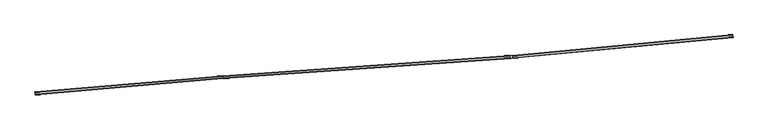
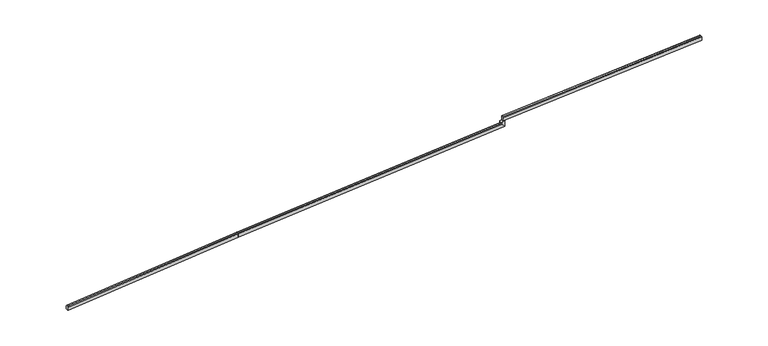
"""IFC4 building model written with IfcOpenShell, lengths in millimetres: railing geometry."""

from ifc_helpers import new_model, si_unit, frame, origin, place, context, project, spatial, circle_curve, ellipse_curve, source, transform, mapped, element, save
from ifc_brep_helpers import plane_surface, cylinder_surface, advanced_brep


def railing_6800b34c(model_context):
    return source(origin(), model_context, "Body", "AdvancedBrep", [
        advanced_brep(
        [(1628.9393359, -4237.4017013, 12399.9999999), (1603.1368031, -3938.5133789, 12399.9999999), (1596.6861699, -3863.7912983, 12324.9667086), (1596.6861699, -3863.7912983, 11749.7114752), (1612.1676895, -4043.1242917, 11649.6670868), (1619.9084494, -4132.7907885, 11649.6670868), (1635.3899691, -4312.1237819, 11749.7114752), (1635.3899691, -4312.1237819, 12324.9667086), (31569.0500647, -1652.7216357, 13295.49617), (31574.3206371, -1727.545589, 13220.4275836), (31574.3206371, -1727.545589, 12645.1723502), (31561.6712632, -1547.9681011, 12545.2126701), (31555.3465763, -1458.1793571, 12545.2550242), (31542.6972024, -1278.6018692, 12645.3841209), (31542.6972024, -1278.6018692, 13220.6393543), (31547.9677748, -1353.4258225, 13295.6373505)],
        [
            (0, 1),
            (1, 2, ellipse_curve(frame((1603.1368031, -3938.5133789, 12324.9667086), z_axis=(-0.9962944081917979, -0.08600844264230818, 0.0), x_axis=(0.0, 0.0, -1.0)), 75.0332913, 75.0)),
            (2, 3),
            (3, 4),
            (4, 5),
            (5, 6),
            (6, 7),
            (7, 0, ellipse_curve(frame((1628.9393359, -4237.4017013, 12324.9667086), z_axis=(-0.9962944081917979, -0.08600844264230818, 0.0), x_axis=(0.0, 0.0, -1.0)), 75.0332913, 75.0)),
            (8, 9, ellipse_curve(frame((31569.0500647, -1652.7216357, 13220.4628787), z_axis=(0.9975283225218303, 0.07026553754710305, 0.0), x_axis=(0.032900607666241345, -0.46707517114275593, -0.8836053047131152)), 75.0426477, 75.0)),
            (9, 10),
            (10, 11),
            (11, 12),
            (12, 13),
            (13, 14),
            (14, 15, ellipse_curve(frame((31547.9677748, -1353.4258225, 13220.6040592), z_axis=(0.9975283225218303, 0.07026553754710305, 0.0), x_axis=(0.032900607666241345, -0.46707517114275593, -0.8836053047131152)), 75.0426477, 75.0)),
            (15, 8),
            (0, 8),
            (15, 1),
            (14, 2),
            (13, 3),
            (12, 4),
            (11, 5),
            (10, 6),
            (9, 7),
        ],
        [
            plane_surface(frame((1616.7044, -4095.6761013, 12399.9999999), z_axis=(-0.9962944081917979, -0.08600844264230818, 0.0), x_axis=(0.08600844264230818, -0.9962944081917979, 0.0))),
            plane_surface(frame((31559.0533537, -1510.8028135, 13295.5631144), z_axis=(0.9975283225218303, 0.07026553754710305, 0.0), x_axis=(0.07026553754710305, -0.9975283225218303, 0.0))),
            plane_surface(frame((1628.9393359, -4237.4017013, 12399.9999999), z_axis=(-0.029675154075010965, -0.0025618067974450473, 0.9995563127590947), x_axis=(0.9958523650746979, 0.08597028179369764, 0.029785527080162195))),
            cylinder_surface(frame((1605.3624396, -3938.3212434, 12325.0332765), z_axis=(-0.995852365074698, -0.08597028179369767, -0.029785527080162195), x_axis=(0.0860084426423082, -0.9962944081917979, 0.0)), 75.0),
            plane_surface(frame((1596.6861699, -3863.7912983, 12324.9667086), z_axis=(-0.08600844264230821, 0.9962944081917982, 0.0), x_axis=(0.9958523650746979, 0.08597028179369766, 0.029785527080162168))),
            plane_surface(frame((1596.6861699, -3863.7912983, 11749.7114752), z_axis=(-0.01582864033621899, 0.4860827587631271, -0.8737694236915906), x_axis=(0.9958523650746979, 0.08597028179369767, 0.029785527080162168))),
            plane_surface(frame((1612.1676895, -4043.1242917, 11649.6670868), z_axis=(0.029675154075010993, 0.00256180679744505, -0.9995563127590947), x_axis=(0.9958523650746979, 0.08597028179369769, 0.029785527080162223))),
            plane_surface(frame((1619.9084494, -4132.7907885, 11649.6670868), z_axis=(0.06771014404561651, -0.4816039146591145, -0.873769423691593), x_axis=(0.9958523650746979, 0.08597028179369767, 0.029785527080162213))),
            plane_surface(frame((1635.3899691, -4312.1237819, 11749.7114752), z_axis=(0.08600844264230818, -0.996294408191798, 0.0), x_axis=(0.9958523650746979, 0.08597028179369764, 0.029785527080162195))),
            cylinder_surface(frame((1631.1649724, -4237.2095658, 12325.0332765), z_axis=(-0.995852365074698, -0.08597028179369767, -0.029785527080162195), x_axis=(0.0860084426423082, -0.9962944081917979, 0.0)), 75.0),
        ],
        [
            (0, [[1, 2, 3, 4, 5, 6, 7, 8]]),
            (1, [[9, 10, 11, 12, 13, 14, 15, 16]]),
            (2, [[-1, 17, -16, 18]]),
            (3, [[-2, -18, -15, 19]]),
            (4, [[-3, -19, -14, 20]]),
            (5, [[-4, -20, -13, 21]]),
            (6, [[-5, -21, -12, 22]]),
            (7, [[-6, -22, -11, 23]]),
            (8, [[-7, -23, -10, 24]]),
            (9, [[-8, -24, -9, -17]]),
        ],
    ),
        advanced_brep(
        [(31569.0488183, -1652.7039412, 13295.5631144), (31547.969157, -1353.4454444, 13295.5631144), (31542.6992417, -1278.6308202, 13220.5301358), (31542.6992417, -1278.6308202, 12645.2772999), (31555.3470384, -1458.1859183, 12545.2333285), (31561.6709368, -1547.9634673, 12545.2333285), (31574.3187336, -1727.5185654, 12645.2772999), (31574.3187336, -1727.5185654, 13220.5301358), (77443.0729026, 1578.6458751, 14659.4858433), (77421.9932414, 1877.9043719, 14659.4858433), (77491.5379502, 1957.9889114, 14586.677247), (78065.1167357, 1998.3915955, 14028.4780086), (78177.5173647, 1825.8630512, 13931.3998802), (78183.8412631, 1736.0855022, 13931.3998802), (78096.7362276, 1549.5038503, 14028.4780086), (77523.1574421, 1509.1011663, 14586.677247), (77443.0729026, 1578.6458751, 14949.9999999), (77523.1574421, 1509.1011663, 14949.9999999), (78096.7362276, 1549.5038503, 14949.9999999), (78183.8412631, 1736.0855022, 14949.9999999), (78177.5173647, 1825.8630512, 14949.9999999), (78065.1167357, 1998.3915955, 14949.9999999), (77491.5379502, 1957.9889114, 14949.9999999), (77421.9932414, 1877.9043719, 14949.9999999)],
        [
            (0, 1),
            (1, 2, ellipse_curve(frame((31547.969157, -1353.4454444, 13220.5301358), z_axis=(-0.9975283225218303, -0.07026553754710305, 0.0), x_axis=(0.0, 0.0, -1.0)), 75.0329786, 75.0)),
            (2, 3),
            (3, 4),
            (4, 5),
            (5, 6),
            (6, 7),
            (7, 0, ellipse_curve(frame((31569.0488183, -1652.7039412, 13220.5301358), z_axis=(-0.9975283225218303, -0.07026553754710305, 0.0), x_axis=(0.0, 0.0, -1.0)), 75.0329786, 75.0)),
            (0, 8),
            (8, 9),
            (9, 1),
            (9, 10, ellipse_curve(frame((77496.8078655, 1883.1742872, 14586.677247), z_axis=(-0.694825059246129, -0.04894322816391641, -0.7175114615534083), x_axis=(-0.7157380046335601, -0.05041632854222927, 0.6965466980321506)), 104.527947, 75.0)),
            (10, 2),
            (10, 11),
            (11, 3),
            (11, 12),
            (12, 4),
            (12, 13),
            (13, 5),
            (13, 14),
            (14, 6),
            (14, 15),
            (15, 7),
            (15, 8, ellipse_curve(frame((77517.8875268, 1583.9157904, 14586.677247), z_axis=(-0.694825059246129, -0.04894322816391641, -0.7175114615534083), x_axis=(-0.7157380046335601, -0.05041632854222927, 0.6965466980321506)), 104.527947, 75.0)),
            (16, 17, circle_curve(frame((77517.8875268, 1583.9157904, 14949.9999999), z_axis=(-4.6956089975818666e-12, 0.0, 1.0), x_axis=(0.0702655375471416, -0.9975283225218275, 0.0)), 75.0)),
            (17, 18),
            (18, 19),
            (19, 20),
            (20, 21),
            (21, 22),
            (22, 23, circle_curve(frame((77496.8078655, 1883.1742872, 14949.9999999), z_axis=(-4.6956089975818666e-12, 0.0, 1.0), x_axis=(0.0702655375471416, -0.9975283225218275, 0.0)), 75.0)),
            (23, 16),
            (8, 16),
            (23, 9),
            (22, 10),
            (21, 11),
            (20, 12),
            (19, 13),
            (18, 14),
            (17, 15),
        ],
        [
            plane_surface(frame((31559.0533537, -1510.8028135, 13295.5631144), z_axis=(-0.9975283225218303, -0.07026553754710305, 0.0), x_axis=(0.07026553754710305, -0.9975283225218303, 0.0))),
            plane_surface(frame((31569.0488183, -1652.7039412, 13295.5631144), z_axis=(-0.029572121061367956, -0.002083049609590963, 0.9995604786906372), x_axis=(0.997089887567389, 0.07023465434603726, 0.029645394916314054))),
            cylinder_surface(frame((31550.1870661, -1353.2892157, 13220.5960785), z_axis=(-0.9970898875673893, -0.07023465434603728, -0.029645394916314113), x_axis=(0.07026553754710305, -0.9975283225218303, 0.0)), 75.0),
            plane_surface(frame((31542.6992417, -1278.6308202, 13220.5301358), z_axis=(-0.07026553754710306, 0.9975283225218303, 0.0), x_axis=(0.997089887567389, 0.07023465434603728, 0.029645394916314165))),
            plane_surface(frame((31542.6992417, -1278.6308202, 12645.2772999), z_axis=(-0.008273276819073475, 0.4862634914559292, -0.8737730653709604), x_axis=(0.997089887567389, 0.07023465434603726, 0.02964539491631423))),
            plane_surface(frame((31555.3470384, -1458.1859183, 12545.2333285), z_axis=(0.0295721210613681, 0.002083049609590973, -0.9995604786906372), x_axis=(0.997089887567389, 0.07023465434603728, 0.0296453949163142))),
            plane_surface(frame((31561.6709368, -1547.9634673, 12545.2333285), z_axis=(0.05997464641135782, -0.4826216655104328, -0.8737730653709627), x_axis=(0.997089887567389, 0.07023465434603728, 0.0296453949163142))),
            plane_surface(frame((31574.3187336, -1727.5185654, 12645.2772999), z_axis=(0.07026553754710305, -0.9975283225218304, 0.0), x_axis=(0.997089887567389, 0.07023465434603725, 0.02964539491631408))),
            cylinder_surface(frame((31571.2667273, -1652.5477125, 13220.5960785), z_axis=(-0.9970898875673893, -0.07023465434603728, -0.029645394916314113), x_axis=(0.07026553754710305, -0.9975283225218303, 0.0)), 75.0),
            plane_surface(frame((77433.077438, 1720.5470028, 14949.9999999), z_axis=(0.0, 0.0, 1.0), x_axis=(1.0, 0.0, 0.0))),
            plane_surface(frame((77443.0729026, 1578.6458751, 14659.4858433), z_axis=(-0.9975283225218275, -0.0702655375471416, -4.6904264799692805e-12), x_axis=(-4.681634554292492e-12, 0.0, 1.0))),
            cylinder_surface(frame((77496.8078655, 1883.1742872, 14659.4858433), z_axis=(4.6956089975818666e-12, 0.0, -1.0), x_axis=(0.0702655375471416, -0.9975283225218275, 0.0)), 75.0),
            plane_surface(frame((77491.5379502, 1957.9889114, 14586.677247), z_axis=(-0.07026553754714161, 0.9975283225218277, 0.0), x_axis=(-4.673353498474857e-12, 0.0, 1.0))),
            plane_surface(frame((78065.1167357, 1998.3915955, 14028.4780086), z_axis=(0.8378726796545456, 0.5458657093906075, 4.0970442670351576e-12), x_axis=(-4.700341997005044e-12, 0.0, 1.0))),
            plane_surface(frame((78177.5173647, 1825.8630512, 13931.3998802), z_axis=(0.9975283225218275, 0.0702655375471416, 4.703447277646865e-12), x_axis=(-4.694620734975074e-12, 0.0, 1.0))),
            plane_surface(frame((78183.8412631, 1736.0855022, 13931.3998802), z_axis=(0.9061206028850167, -0.4230194475757516, 4.130897101848363e-12), x_axis=(-4.6946207349750846e-12, 0.0, 1.0))),
            plane_surface(frame((78096.7362276, 1549.5038503, 14028.4780086), z_axis=(0.07026553754714161, -0.9975283225218277, 0.0), x_axis=(-4.700341997005166e-12, 0.0, 1.0))),
            cylinder_surface(frame((77517.8875268, 1583.9157904, 14659.4858433), z_axis=(4.6956089975818666e-12, 0.0, -1.0), x_axis=(0.0702655375471416, -0.9975283225218275, 0.0)), 75.0),
        ],
        [
            (0, [[1, 2, 3, 4, 5, 6, 7, 8]]),
            (1, [[-1, 9, 10, 11]]),
            (2, [[-2, -11, 12, 13]]),
            (3, [[-3, -13, 14, 15]]),
            (4, [[-4, -15, 16, 17]]),
            (5, [[-5, -17, 18, 19]]),
            (6, [[-6, -19, 20, 21]]),
            (7, [[-7, -21, 22, 23]]),
            (8, [[-8, -23, 24, -9]]),
            (9, [[25, 26, 27, 28, 29, 30, 31, 32]]),
            (10, [[-10, 33, -32, 34]]),
            (11, [[-12, -34, -31, 35]]),
            (12, [[-14, -35, -30, 36]]),
            (13, [[-16, -36, -29, 37]]),
            (14, [[-18, -37, -28, 38]]),
            (15, [[-20, -38, -27, 39]]),
            (16, [[-22, -39, -26, 40]]),
            (17, [[-24, -40, -25, -33]]),
        ],
    ),
        advanced_brep(
        [(77820.5197221, 1605.273471, 15699.9999999), (77792.3251917, 1903.9456466, 15699.9999999), (77785.2765591, 1978.6136905, 15624.9999999), (77785.2765591, 1978.6136905, 15049.9999999), (77802.1932773, 1799.4103851, 14949.9999999), (77810.6516365, 1709.8087325, 14949.9999999), (77827.5683547, 1530.6054271, 15049.9999999), (77827.5683547, 1530.6054271, 15624.9999999), (112903.7527124, 4917.1162218, 15699.9999999), (112910.801345, 4842.4481779, 15624.9999999), (112910.801345, 4842.4481779, 15049.9999999), (112893.8846268, 5021.6514832, 14949.9999999), (112885.4262677, 5111.2531359, 14949.9999999), (112868.5095494, 5290.4564412, 15049.9999999), (112868.5095494, 5290.4564412, 15624.9999999), (112875.558182, 5215.7883973, 15699.9999999)],
        [
            (0, 1),
            (1, 2, circle_curve(frame((77792.3251917, 1903.9456466, 15624.9999999), z_axis=(-0.9955739185395581, -0.09398176803928132, 0.0), x_axis=(0.09398176803928132, -0.9955739185395581, 0.0)), 75.0)),
            (2, 3),
            (3, 4),
            (4, 5),
            (5, 6),
            (6, 7),
            (7, 0, circle_curve(frame((77820.5197221, 1605.273471, 15624.9999999), z_axis=(-0.9955739185395581, -0.09398176803928132, 0.0), x_axis=(0.09398176803928132, -0.9955739185395581, 0.0)), 75.0)),
            (8, 9, circle_curve(frame((112903.7527124, 4917.1162218, 15624.9999999), z_axis=(0.9955739185395581, 0.09398176803928132, 0.0), x_axis=(0.09398176803928132, -0.9955739185395581, 0.0)), 75.0)),
            (9, 10),
            (10, 11),
            (11, 12),
            (12, 13),
            (13, 14),
            (14, 15, circle_curve(frame((112875.558182, 5215.7883973, 15624.9999999), z_axis=(0.9955739185395581, 0.09398176803928132, 0.0), x_axis=(0.09398176803928132, -0.9955739185395581, 0.0)), 75.0)),
            (15, 8),
            (0, 8),
            (15, 1),
            (14, 2),
            (13, 3),
            (12, 4),
            (11, 5),
            (10, 6),
            (9, 7),
        ],
        [
            plane_surface(frame((77807.150559, 1746.8965794, 15699.9999999), z_axis=(-0.9955739185395581, -0.09398176803928132, 0.0), x_axis=(0.09398176803928132, -0.9955739185395581, 0.0))),
            plane_surface(frame((112890.3835493, 5058.7393302, 15699.9999999), z_axis=(0.9955739185395581, 0.09398176803928132, 0.0), x_axis=(0.09398176803928132, -0.9955739185395581, 0.0))),
            plane_surface(frame((77820.5197221, 1605.273471, 15699.9999999), z_axis=(0.0, 0.0, 1.0), x_axis=(0.9955739185395581, 0.09398176803928132, 0.0))),
            cylinder_surface(frame((77792.3251917, 1903.9456466, 15624.9999999), z_axis=(-0.9955739185395581, -0.09398176803928132, 0.0), x_axis=(0.09398176803928132, -0.9955739185395581, 0.0)), 75.0),
            plane_surface(frame((77785.2765591, 1978.6136905, 15624.9999999), z_axis=(-0.0939817680392814, 0.9955739185395581, 0.0), x_axis=(0.9955739185395581, 0.0939817680392814, 0.0))),
            plane_surface(frame((77785.2765591, 1978.6136905, 15049.9999999), z_axis=(-0.04564158130794478, 0.4834934360045252, -0.8741572761215504), x_axis=(0.9955739185395581, 0.0939817680392814, 0.0))),
            plane_surface(frame((77802.1932773, 1799.4103851, 14949.9999999), z_axis=(0.0, 0.0, -1.0), x_axis=(0.9955739185395581, 0.09398176803928134, 0.0))),
            plane_surface(frame((77810.6516365, 1709.8087325, 14949.9999999), z_axis=(0.04564158130794435, -0.4834934360045211, -0.8741572761215527), x_axis=(0.9955739185395581, 0.09398176803928132, 0.0))),
            plane_surface(frame((77827.5683547, 1530.6054271, 15049.9999999), z_axis=(0.09398176803928127, -0.9955739185395582, 0.0), x_axis=(0.9955739185395582, 0.09398176803928127, 0.0))),
            cylinder_surface(frame((77820.5197221, 1605.273471, 15624.9999999), z_axis=(-0.9955739185395581, -0.09398176803928132, 0.0), x_axis=(0.09398176803928132, -0.9955739185395581, 0.0)), 75.0),
        ],
        [
            (0, [[1, 2, 3, 4, 5, 6, 7, 8]]),
            (1, [[9, 10, 11, 12, 13, 14, 15, 16]]),
            (2, [[-1, 17, -16, 18]]),
            (3, [[-2, -18, -15, 19]]),
            (4, [[-3, -19, -14, 20]]),
            (5, [[-4, -20, -13, 21]]),
            (6, [[-5, -21, -12, 22]]),
            (7, [[-6, -22, -11, 23]]),
            (8, [[-7, -23, -10, 24]]),
            (9, [[-8, -24, -9, -17]]),
        ],
    ),
    ])


if __name__ == "__main__":
    model = new_model("IFC4")
    model_context = context("Model", 3, world=origin())
    ifc_project = project(units=[si_unit("LENGTHUNIT", "METRE", prefix="MILLI")], contexts=[model_context])
    site = spatial("IfcSite", under=ifc_project)
    building = spatial("IfcBuilding", under=site)
    placement = place(None, origin())
    railing_shape = railing_6800b34c(model_context)
    element("IfcRailing", 1, at=placement, inside=building, context=model_context, shape_type="MappedRepresentation", body=[
        mapped(railing_shape, transform((0.0, 0.0, 0.0), x_axis=(1.0, 0.0, 0.0), y_axis=(0.0, 1.0, 0.0), z_axis=(0.0, 0.0, 1.0))),
    ])
    save(model, "model.ifc")
